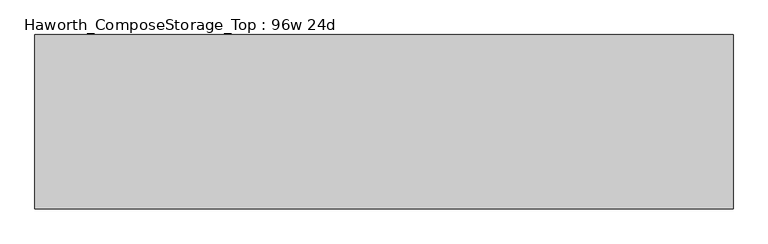
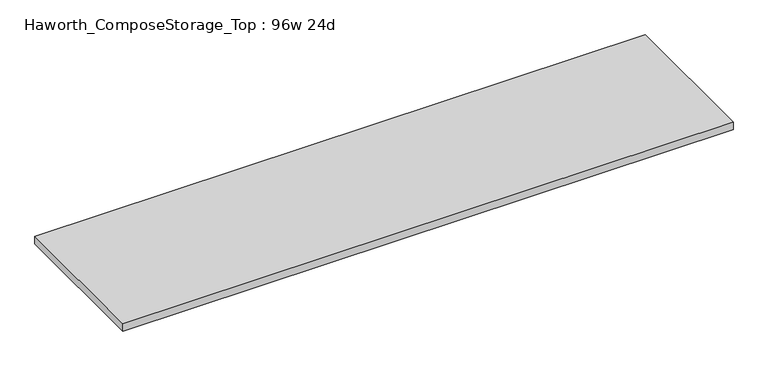
"""IFC4 building model written with IfcOpenShell, lengths in millimetres: furniture geometry, Haworth_ComposeStorage_Top : 96w 24d."""

from ifc_helpers import new_model, si_unit, frame, origin, place, context, project, spatial, polyline, outline, extrude, source, transform, mapped, element, save


def haworth_composestorage_top_96w_24d_85a0d244(model_context):
    return source(origin(), model_context, "Body", "SweptSolid", [
        extrude(outline(polyline([(1219.2, 304.8), (1219.2, -304.8), (-1219.2, -304.8), (-1219.2, 304.8), (1219.2, 304.8)])), frame((0.0, 0.0, 706.4375), z_axis=(0.0, 0.0, 1.0), x_axis=(1.0, 0.0, 0.0)), (0.0, 0.0, 1.0), 30.1625),
    ])


if __name__ == "__main__":
    model = new_model("IFC4")
    model_context = context("Model", 3, world=origin())
    ifc_project = project(units=[si_unit("LENGTHUNIT", "METRE", prefix="MILLI")], contexts=[model_context])
    site = spatial("IfcSite", under=ifc_project)
    building = spatial("IfcBuilding", under=site)
    placement = place(None, origin())
    haworth_composestorage_top_96w_24d_shape = haworth_composestorage_top_96w_24d_85a0d244(model_context)
    element("IfcFurniture", 1, ObjectType="Haworth_ComposeStorage_Top : 96w 24d", at=placement, inside=building, context=model_context, shape_type="MappedRepresentation", body=[
        mapped(haworth_composestorage_top_96w_24d_shape, transform((0.0, 0.0, 0.0), x_axis=(1.0, 0.0, 0.0), y_axis=(0.0, 1.0, 0.0), z_axis=(0.0, 0.0, 1.0))),
    ])
    save(model, "model.ifc")
